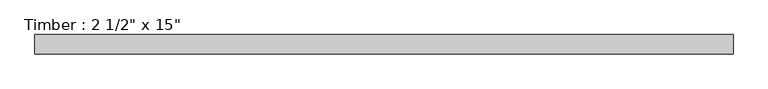
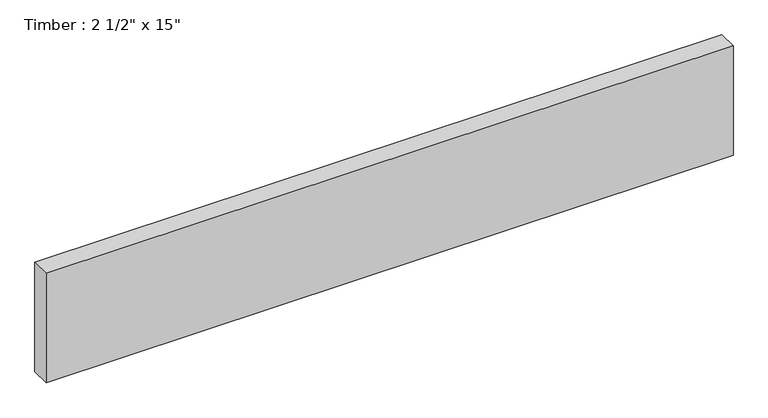
"""IFC4 building model written with IfcOpenShell, lengths in millimetres: beam geometry."""

from ifc_helpers import new_model, si_unit, frame, origin, place, context, project, spatial, polyline, outline, extrude, source, transform, mapped, element, save


def beam_3200f0e8(model_context):
    return source(origin(), model_context, "Body", "SweptSolid", [
        extrude(outline(polyline([(1133.1580619, -31.75), (-1133.1580619, -31.75), (-1133.1580619, 31.75), (1133.1580619, 31.75), (1133.1580619, -31.75)])), frame((0.0, 0.0, -190.5), z_axis=(0.0, 0.0, 1.0), x_axis=(1.0, 0.0, 0.0)), (0.0, 0.0, 1.0), 381.0),
    ])


if __name__ == "__main__":
    model = new_model("IFC4")
    model_context = context("Model", 3, world=origin())
    ifc_project = project(units=[si_unit("LENGTHUNIT", "METRE", prefix="MILLI")], contexts=[model_context])
    site = spatial("IfcSite", under=ifc_project)
    building = spatial("IfcBuilding", under=site)
    placement = place(None, origin())
    beam_shape = beam_3200f0e8(model_context)
    element("IfcBeam", 1, ObjectType="Timber : 2 1/2\" x 15\"", at=placement, inside=building, context=model_context, shape_type="MappedRepresentation", body=[
        mapped(beam_shape, transform((0.0, 0.0, 0.0), x_axis=(1.0, 0.0, 0.0), y_axis=(0.0, 1.0, 0.0), z_axis=(0.0, 0.0, 1.0))),
    ])
    save(model, "model.ifc")
